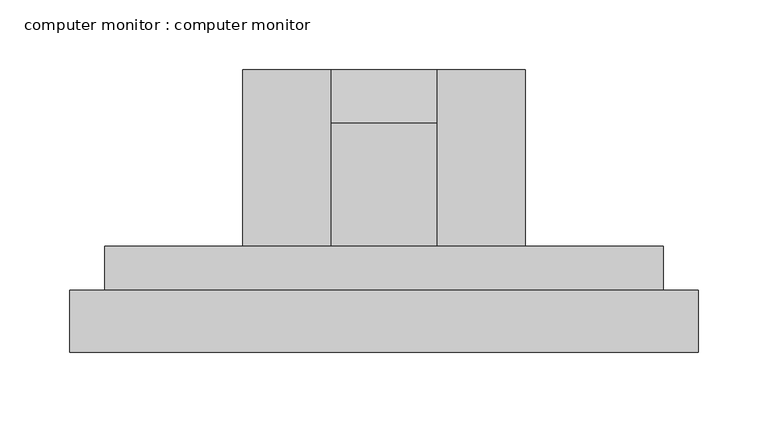
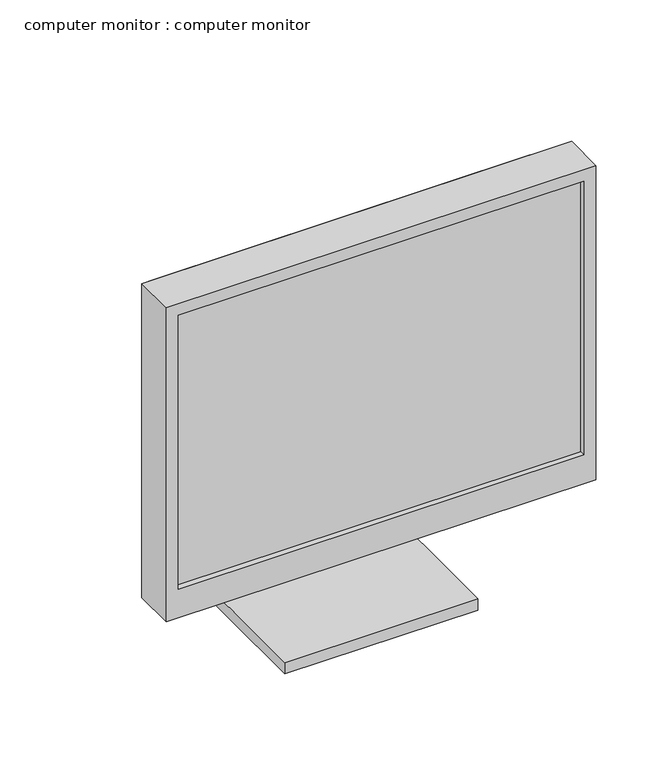
"""IFC4 building model written with IfcOpenShell, lengths in millimetres: furniture geometry, computer monitor : computer monitor."""

import ifcopenshell
import ifcopenshell.guid

model = None  # the IFC model being written
_history = None  # IfcOwnerHistory: only IFC2X3 demands one
_inside = {}  # id of a spatial element -> (the spatial element, [elements in it])
_under = {}  # id of a project, library or spatial element -> (it, [spatial elements below it])
_declared = {}  # id of a project -> (the project, [libraries it declares])
_typed = {}  # id of a type object -> (the type object, [elements of that type])
_made_of = {}  # id of a material, layer set ... -> (it, [elements and type objects made of it])


def new_model(schema):
    """Start an empty IFC model of exactly this schema.

    Asked for "IFC4X3", IfcOpenShell would pick the latest addendum, in which some entities
    have other attributes; the version numbers below select the first issue.
    IFC2X3 requires an IfcOwnerHistory on every rooted entity: one is made here for all.
    """
    global model, _history
    if schema == "IFC4X3":
        model = ifcopenshell.file(schema_version=(4, 3, 0, 0))
    else:
        model = ifcopenshell.file(schema=schema)
    _inside.clear()
    _under.clear()
    _declared.clear()
    _typed.clear()
    _made_of.clear()
    _history = None
    if model.schema == "IFC2X3":
        org = make("IfcOrganization", Name="unknown")
        user = make(
            "IfcPersonAndOrganization",
            ThePerson=make("IfcPerson", FamilyName="unknown"),
            TheOrganization=org,
        )
        app = make(
            "IfcApplication",
            ApplicationDeveloper=org,
            Version="unknown",
            ApplicationFullName="unknown",
            ApplicationIdentifier="unknown",
        )
        _history = make(
            "IfcOwnerHistory",
            OwningUser=user,
            OwningApplication=app,
            ChangeAction="ADDED",
            CreationDate=0,
        )
    return model


def make(cls, **values):
    """One entity of the class cls with the attributes given. An attribute that is None is left unset."""
    return model.create_entity(
        cls, **{name: value for name, value in values.items() if value is not None}
    )


def rooted(cls, **values):
    """An entity with a GlobalId (a new one), such as an element, a storey or a relation."""
    return make(cls, GlobalId=ifcopenshell.guid.new(), OwnerHistory=_history, **values)


def si_unit(unit_type, name, prefix=None):
    """IfcSIUnit, for example si_unit("LENGTHUNIT", "METRE", prefix="MILLI")."""
    return make("IfcSIUnit", UnitType=unit_type, Prefix=prefix, Name=name)


def assignment(units):
    """IfcUnitAssignment: the units of a project."""
    return None if units is None else make("IfcUnitAssignment", Units=units)


def point(xyz):
    """IfcCartesianPoint."""
    return None if xyz is None else make("IfcCartesianPoint", Coordinates=xyz)


def direction(xyz):
    """IfcDirection."""
    return None if xyz is None else make("IfcDirection", DirectionRatios=xyz)


def frame(location, z_axis=None, x_axis=None):
    """IfcAxis2Placement3D, a coordinate frame: its origin and axes. An axis left out is left unset."""
    return make(
        "IfcAxis2Placement3D",
        Location=point(location),
        Axis=direction(z_axis),
        RefDirection=direction(x_axis),
    )


def frame_2d(location, x_axis=None):
    """IfcAxis2Placement2D, a coordinate frame in the plane: its origin and x axis."""
    return make(
        "IfcAxis2Placement2D", Location=point(location), RefDirection=direction(x_axis)
    )


def origin():
    """The frame at (0, 0, 0) with its axes left unset."""
    return frame((0.0, 0.0, 0.0))


def place(relative_to, where):
    """IfcLocalPlacement: puts the frame where relative to a parent placement (None: the world)."""
    return make(
        "IfcLocalPlacement", PlacementRelTo=relative_to, RelativePlacement=where
    )


def context(
    kind, dimensions, precision=None, world=None, true_north=None, identifier=None
):
    """IfcGeometricRepresentationContext, for example the 3D "Model" context."""
    return make(
        "IfcGeometricRepresentationContext",
        ContextIdentifier=identifier,
        ContextType=kind,
        CoordinateSpaceDimension=dimensions,
        Precision=precision,
        WorldCoordinateSystem=world,
        TrueNorth=true_north,
    )


def project(units=None, contexts=None):
    """IfcProject with its units and contexts."""
    return rooted(
        "IfcProject",
        Name="project",
        RepresentationContexts=contexts,
        UnitsInContext=assignment(units),
    )


def spatial(cls, under=None, at=None, **own):
    """A site, building, storey or space (cls), placed at a placement, below another one or the project."""
    s = rooted(cls, ObjectPlacement=at, **own)
    if under is not None:
        _under.setdefault(under.id(), (under, []))[1].append(s)
    return s


def polyline(points):
    """IfcPolyline through the points."""
    return make("IfcPolyline", Points=[point(p) for p in points])


def circle_curve(where, radius):
    """IfcCircle in the frame where."""
    return make("IfcCircle", Position=where, Radius=radius)


def trimmed(basis, trim1, trim2, sense, master):
    """IfcTrimmedCurve: the piece of a basis curve between two trims."""
    return make(
        "IfcTrimmedCurve",
        BasisCurve=basis,
        Trim1=trim1,
        Trim2=trim2,
        SenseAgreement=sense,
        MasterRepresentation=master,
    )


def segment(curve, same_sense, transition):
    """IfcCompositeCurveSegment."""
    return make(
        "IfcCompositeCurveSegment",
        Transition=transition,
        SameSense=same_sense,
        ParentCurve=curve,
    )


def composite_curve(segments, self_intersect=None):
    """IfcCompositeCurve: segments joined end to end."""
    return make("IfcCompositeCurve", Segments=segments, SelfIntersect=self_intersect)


def outline(outer, holes=None, kind="AREA"):
    """IfcArbitraryClosedProfileDef: a profile drawn as a closed curve; with holes, ...WithVoids."""
    if holes is None:
        return make("IfcArbitraryClosedProfileDef", ProfileType=kind, OuterCurve=outer)
    return make(
        "IfcArbitraryProfileDefWithVoids",
        ProfileType=kind,
        OuterCurve=outer,
        InnerCurves=holes,
    )


def extrude(swept, where, along, depth):
    """IfcExtrudedAreaSolid: the profile swept, set in the frame where, extruded along a direction by depth."""
    return make(
        "IfcExtrudedAreaSolid",
        SweptArea=swept,
        Position=where,
        ExtrudedDirection=direction(along),
        Depth=depth,
    )


def faces_of(points, faces, orient=None, outer=None):
    """IfcFace entities. A face is a list of loops; a loop is a list of indices into points, from 0.

    orient and outer hold one flag for each loop. By default every Orientation is true, the
    first loop of a face is its IfcFaceOuterBound and the others are IfcFaceBound.
    """
    made = []
    for i, loops in enumerate(faces):
        bounds = []
        for j, loop in enumerate(loops):
            is_outer = j == 0 if outer is None else outer[i][j]
            bounds.append(
                make(
                    "IfcFaceOuterBound" if is_outer else "IfcFaceBound",
                    Bound=make("IfcPolyLoop", Polygon=[points[k] for k in loop]),
                    Orientation=True if orient is None else orient[i][j],
                )
            )
        made.append(make("IfcFace", Bounds=bounds))
    return made


def faceted_brep(points, faces, orient=None, outer=None, voids=None):
    """IfcFacetedBrep: a solid bounded by flat faces; with voids (closed shells), ...WithVoids."""
    shared = [point(p) for p in points]
    hull = make("IfcClosedShell", CfsFaces=faces_of(shared, faces, orient, outer))
    if voids is None:
        return make("IfcFacetedBrep", Outer=hull)
    return make(
        "IfcFacetedBrepWithVoids",
        Outer=hull,
        Voids=[
            make(cls, CfsFaces=faces_of(shared, fs, o, b)) for cls, fs, o, b in voids
        ],
    )


def shape(context_of_items, identifier, shape_type, items):
    """IfcShapeRepresentation: the items that make up one representation, for example the "Body"."""
    return make(
        "IfcShapeRepresentation",
        ContextOfItems=context_of_items,
        RepresentationIdentifier=identifier,
        RepresentationType=shape_type,
        Items=items,
    )


def source(mapping_origin, context_of_items, identifier, shape_type, items):
    """IfcRepresentationMap: a shape defined once, which mapped items show again and again."""
    return make(
        "IfcRepresentationMap",
        MappingOrigin=mapping_origin,
        MappedRepresentation=shape(context_of_items, identifier, shape_type, items),
    )


def transform(
    local_origin,
    x_axis=None,
    y_axis=None,
    z_axis=None,
    scale=None,
    scale2=None,
    scale3=None,
    uniform=True,
):
    """IfcCartesianTransformationOperator3D, or its non-uniform kind. x_axis, y_axis, z_axis: its Axis1, 2, 3."""
    if uniform:
        return make(
            "IfcCartesianTransformationOperator3D",
            Axis1=direction(x_axis),
            Axis2=direction(y_axis),
            LocalOrigin=point(local_origin),
            Scale=scale,
            Axis3=direction(z_axis),
        )
    return make(
        "IfcCartesianTransformationOperator3DnonUniform",
        Axis1=direction(x_axis),
        Axis2=direction(y_axis),
        LocalOrigin=point(local_origin),
        Scale=scale,
        Axis3=direction(z_axis),
        Scale2=scale2,
        Scale3=scale3,
    )


def mapped(mapping_source, mapping_target):
    """IfcMappedItem: shows the shape of a source again, moved by a transform."""
    return make(
        "IfcMappedItem", MappingSource=mapping_source, MappingTarget=mapping_target
    )


def made_of(thing, what):
    """Note that an element or type object is made of a material, layer set ...; save() writes the relation."""
    if what is not None:
        _made_of.setdefault(what.id(), (what, []))[1].append(thing)
    return thing


def element(
    cls,
    number,
    at=None,
    inside=None,
    cuts=None,
    type_object=None,
    material=None,
    context=None,
    identifier="Body",
    shape_type=None,
    held_by="IfcProductDefinitionShape",
    body=None,
    shapes=None,
    **own,
):
    """One element of the class cls, such as IfcWall. Its Tag is "e" and its number.

    at: its placement. inside: the storey or other place that contains it. cuts: it is an
    opening in that element (IfcRelVoidsElement). A single representation is given by context,
    identifier, shape_type and body (its items); several are given by shapes. held_by: the class
    of the entity that holds the representations. save() writes the other relations.
    """
    e = rooted(cls, Tag="e%d" % number, ObjectPlacement=at, **own)
    if body is not None:
        shapes = [shape(context, identifier, shape_type, body)]
    if shapes is not None:
        e.Representation = make(held_by, Representations=shapes)
    if inside is not None:
        _inside.setdefault(inside.id(), (inside, []))[1].append(e)
    if cuts is not None:
        rooted(
            "IfcRelVoidsElement", RelatingBuildingElement=cuts, RelatedOpeningElement=e
        )
    if type_object is not None:
        _typed.setdefault(type_object.id(), (type_object, []))[1].append(e)
    return made_of(e, material)


def aggregate(whole, parts):
    """IfcRelAggregates: a whole, such as a stair, and the parts it consists of."""
    return rooted("IfcRelAggregates", RelatingObject=whole, RelatedObjects=parts)


def save(model, path):
    """Write the relations noted so far, then the file.

    IfcRelAggregates (storeys below a building ...), IfcRelContainedInSpatialStructure (elements
    in a storey), IfcRelDefinesByType, IfcRelAssociatesMaterial and IfcRelDeclares: one each for
    every whole, place, type object, material and project.
    """
    for whole, parts in _under.values():
        aggregate(whole, parts)
    for where, things in _inside.values():
        rooted(
            "IfcRelContainedInSpatialStructure",
            RelatedElements=things,
            RelatingStructure=where,
        )
    for kind, things in _typed.values():
        rooted("IfcRelDefinesByType", RelatedObjects=things, RelatingType=kind)
    for what, things in _made_of.values():
        rooted("IfcRelAssociatesMaterial", RelatedObjects=things, RelatingMaterial=what)
    for by, libraries in _declared.values():
        rooted("IfcRelDeclares", RelatingContext=by, RelatedDefinitions=libraries)
    model.write(path)


def computer_monitor_computer_monitor_5604b684(model_context):
    return source(origin(), model_context, "Body", "SolidModel", [
        extrude(outline(composite_curve([segment(polyline([(225.3, 906.7), (225.3, 652.7), (187.2, 652.7), (187.2, 906.7), (98.3, 906.7), (98.3, 944.8), (187.2, 944.8)]), True, "CONTINUOUS"), segment(trimmed(circle_curve(frame_2d((187.2, 906.7)), 38.1), [point((187.2, 944.8))], [point((225.3, 906.7))], False, "CARTESIAN"), True, "CONTINUOUS")], self_intersect=False)), frame((-175.6, 0.0, 0.0), z_axis=(1.0, 0.0, 0.0), x_axis=(0.0, 1.0, 0.0)), (0.0, 0.0, 1.0), 76.2),
        extrude(outline(polyline([(-35.9, 22.1), (-239.1, 22.1), (-239.1, 225.3), (-35.9, 225.3), (-35.9, 22.1)])), frame((0.0, 0.0, 640.0), z_axis=(0.0, 0.0, 1.0), x_axis=(1.0, 0.0, 0.0)), (0.0, 0.0, 1.0), 12.7),
        extrude(outline(polyline([(75.8699219, 28.45), (-350.8699219, 28.45), (-350.8699219, 60.2), (75.8699219, 60.2), (75.8699219, 28.45)])), frame((0.0, 0.0, 773.35), z_axis=(0.0, 0.0, 1.0), x_axis=(1.0, 0.0, 0.0)), (0.0, 0.0, 1.0), 304.8),
        faceted_brep([(88.5699219, 22.1, 741.6), (88.5699219, 22.1, 1090.85), (-363.5699219, 22.1, 1090.85), (-363.5699219, 22.1, 741.6), (75.8699219, 22.1, 773.35), (-350.8699219, 22.1, 773.35), (-350.8699219, 22.1, 1078.15), (75.8699219, 22.1, 1078.15), (88.5699219, 66.55, 741.6), (88.5699219, 66.55, 1090.85), (-363.5699219, 66.55, 1090.85), (-363.5699219, 66.55, 741.6), (75.8699219, 60.2, 773.35), (-350.8699219, 60.2, 773.35), (-350.8699219, 60.2, 1078.15), (75.8699219, 60.2, 1078.15), (63.1699219, 98.3, 1065.45), (63.1699219, 98.3, 767.0), (-338.1699219, 98.3, 767.0), (-338.1699219, 98.3, 1065.45), (63.1699219, 66.55, 1065.45), (63.1699219, 66.55, 767.0), (-338.1699219, 66.55, 767.0), (-338.1699219, 66.55, 1065.45)], [[[0, 1, 2, 3], [4, 5, 6, 7]], [[1, 0, 8, 9]], [[2, 1, 9, 10]], [[3, 2, 10, 11]], [[8, 0, 3, 11]], [[5, 4, 12, 13]], [[6, 5, 13, 14]], [[7, 6, 14, 15]], [[4, 7, 15, 12]], [[13, 12, 15, 14]], [[16, 17, 18, 19]], [[16, 20, 21, 17]], [[17, 21, 22, 18]], [[18, 22, 23, 19]], [[9, 8, 11, 10], [21, 20, 23, 22]], [[20, 16, 19, 23]]]),
    ])


if __name__ == "__main__":
    model = new_model("IFC4")
    model_context = context("Model", 3, world=origin())
    ifc_project = project(units=[si_unit("LENGTHUNIT", "METRE", prefix="MILLI")], contexts=[model_context])
    site = spatial("IfcSite", under=ifc_project)
    building = spatial("IfcBuilding", under=site)
    placement = place(None, origin())
    computer_monitor_computer_monitor_shape = computer_monitor_computer_monitor_5604b684(model_context)
    element("IfcFurniture", 1, ObjectType="computer monitor : computer monitor", at=placement, inside=building, context=model_context, shape_type="MappedRepresentation", body=[
        mapped(computer_monitor_computer_monitor_shape, transform((0.0, 0.0, 0.0), x_axis=(1.0, 0.0, 0.0), y_axis=(0.0, 1.0, 0.0), z_axis=(0.0, 0.0, 1.0))),
    ])
    save(model, "model.ifc")
